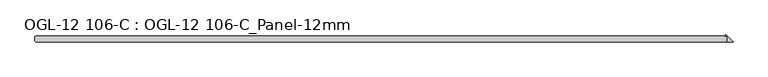
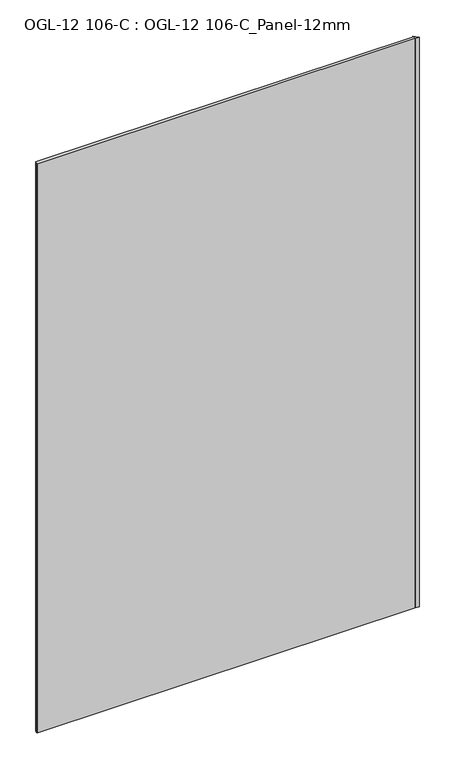
"""IFC4 building model written with IfcOpenShell, lengths in millimetres: plate geometry, OGL-12 106-C : OGL-12 106-C_Panel-12mm."""

from ifc_helpers import new_model, si_unit, origin, origin_with_axes, place, context, project, spatial, polyline, outline, extrude, source, transform, mapped, element, save


def ogl_12_106_c_ogl_12_106_c_panel_12mm_82676968(model_context):
    return source(origin(), model_context, "Body", "SweptSolid", [
        extrude(outline(polyline([(732.6330201, -4.7625), (732.6330201, 4.7625), (731.0455201, 6.35), (727.2129561, 6.35), (729.9229881, 9.060032), (745.3330201, -6.35), (731.0455201, -6.35), (732.6330201, -4.7625)])), origin_with_axes(), (0.0, 0.0, 1.0), 2339.9738578),
        extrude(outline(polyline([(731.0455201, -6.35), (-737.3955201, -6.35), (-738.9830201, -4.7625), (-738.9830201, 4.7625), (-737.3955201, 6.35), (731.0455201, 6.35), (732.6330201, 4.7625), (732.6330201, -4.7625), (731.0455201, -6.35)])), origin_with_axes(), (0.0, 0.0, 1.0), 2339.9738578),
    ])


if __name__ == "__main__":
    model = new_model("IFC4")
    model_context = context("Model", 3, world=origin())
    ifc_project = project(units=[si_unit("LENGTHUNIT", "METRE", prefix="MILLI")], contexts=[model_context])
    site = spatial("IfcSite", under=ifc_project)
    building = spatial("IfcBuilding", under=site)
    placement = place(None, origin())
    ogl_12_106_c_ogl_12_106_c_panel_12mm_shape = ogl_12_106_c_ogl_12_106_c_panel_12mm_82676968(model_context)
    element("IfcPlate", 1, ObjectType="OGL-12 106-C : OGL-12 106-C_Panel-12mm", at=placement, inside=building, context=model_context, shape_type="MappedRepresentation", body=[
        mapped(ogl_12_106_c_ogl_12_106_c_panel_12mm_shape, transform((0.0, 0.0, 0.0), x_axis=(1.0, 0.0, 0.0), y_axis=(0.0, 1.0, 0.0), z_axis=(0.0, 0.0, 1.0))),
    ])
    save(model, "model.ifc")
